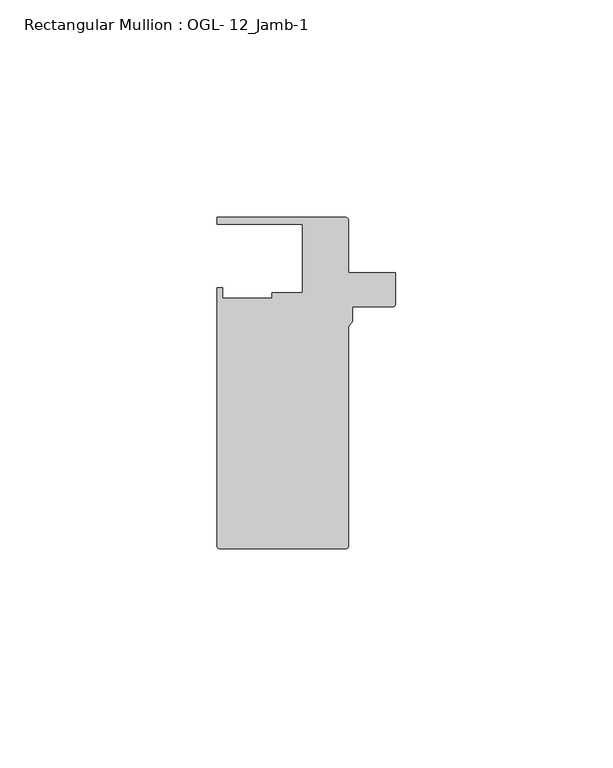
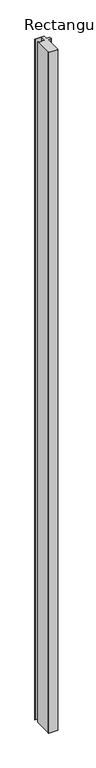
"""IFC4 building model written with IfcOpenShell, lengths in millimetres: member geometry, Rectangular Mullion : OGL- 12_Jamb-1."""

import ifcopenshell
import ifcopenshell.guid

model = None  # the IFC model being written
_history = None  # IfcOwnerHistory: only IFC2X3 demands one
_inside = {}  # id of a spatial element -> (the spatial element, [elements in it])
_under = {}  # id of a project, library or spatial element -> (it, [spatial elements below it])
_declared = {}  # id of a project -> (the project, [libraries it declares])
_typed = {}  # id of a type object -> (the type object, [elements of that type])
_made_of = {}  # id of a material, layer set ... -> (it, [elements and type objects made of it])


def new_model(schema):
    """Start an empty IFC model of exactly this schema.

    Asked for "IFC4X3", IfcOpenShell would pick the latest addendum, in which some entities
    have other attributes; the version numbers below select the first issue.
    IFC2X3 requires an IfcOwnerHistory on every rooted entity: one is made here for all.
    """
    global model, _history
    if schema == "IFC4X3":
        model = ifcopenshell.file(schema_version=(4, 3, 0, 0))
    else:
        model = ifcopenshell.file(schema=schema)
    _inside.clear()
    _under.clear()
    _declared.clear()
    _typed.clear()
    _made_of.clear()
    _history = None
    if model.schema == "IFC2X3":
        org = make("IfcOrganization", Name="unknown")
        user = make(
            "IfcPersonAndOrganization",
            ThePerson=make("IfcPerson", FamilyName="unknown"),
            TheOrganization=org,
        )
        app = make(
            "IfcApplication",
            ApplicationDeveloper=org,
            Version="unknown",
            ApplicationFullName="unknown",
            ApplicationIdentifier="unknown",
        )
        _history = make(
            "IfcOwnerHistory",
            OwningUser=user,
            OwningApplication=app,
            ChangeAction="ADDED",
            CreationDate=0,
        )
    return model


def make(cls, **values):
    """One entity of the class cls with the attributes given. An attribute that is None is left unset."""
    return model.create_entity(
        cls, **{name: value for name, value in values.items() if value is not None}
    )


def rooted(cls, **values):
    """An entity with a GlobalId (a new one), such as an element, a storey or a relation."""
    return make(cls, GlobalId=ifcopenshell.guid.new(), OwnerHistory=_history, **values)


def si_unit(unit_type, name, prefix=None):
    """IfcSIUnit, for example si_unit("LENGTHUNIT", "METRE", prefix="MILLI")."""
    return make("IfcSIUnit", UnitType=unit_type, Prefix=prefix, Name=name)


def assignment(units):
    """IfcUnitAssignment: the units of a project."""
    return None if units is None else make("IfcUnitAssignment", Units=units)


def point(xyz):
    """IfcCartesianPoint."""
    return None if xyz is None else make("IfcCartesianPoint", Coordinates=xyz)


def direction(xyz):
    """IfcDirection."""
    return None if xyz is None else make("IfcDirection", DirectionRatios=xyz)


def frame(location, z_axis=None, x_axis=None):
    """IfcAxis2Placement3D, a coordinate frame: its origin and axes. An axis left out is left unset."""
    return make(
        "IfcAxis2Placement3D",
        Location=point(location),
        Axis=direction(z_axis),
        RefDirection=direction(x_axis),
    )


def frame_2d(location, x_axis=None):
    """IfcAxis2Placement2D, a coordinate frame in the plane: its origin and x axis."""
    return make(
        "IfcAxis2Placement2D", Location=point(location), RefDirection=direction(x_axis)
    )


def origin():
    """The frame at (0, 0, 0) with its axes left unset."""
    return frame((0.0, 0.0, 0.0))


def place(relative_to, where):
    """IfcLocalPlacement: puts the frame where relative to a parent placement (None: the world)."""
    return make(
        "IfcLocalPlacement", PlacementRelTo=relative_to, RelativePlacement=where
    )


def context(
    kind, dimensions, precision=None, world=None, true_north=None, identifier=None
):
    """IfcGeometricRepresentationContext, for example the 3D "Model" context."""
    return make(
        "IfcGeometricRepresentationContext",
        ContextIdentifier=identifier,
        ContextType=kind,
        CoordinateSpaceDimension=dimensions,
        Precision=precision,
        WorldCoordinateSystem=world,
        TrueNorth=true_north,
    )


def project(units=None, contexts=None):
    """IfcProject with its units and contexts."""
    return rooted(
        "IfcProject",
        Name="project",
        RepresentationContexts=contexts,
        UnitsInContext=assignment(units),
    )


def spatial(cls, under=None, at=None, **own):
    """A site, building, storey or space (cls), placed at a placement, below another one or the project."""
    s = rooted(cls, ObjectPlacement=at, **own)
    if under is not None:
        _under.setdefault(under.id(), (under, []))[1].append(s)
    return s


def polyline(points):
    """IfcPolyline through the points."""
    return make("IfcPolyline", Points=[point(p) for p in points])


def circle_curve(where, radius):
    """IfcCircle in the frame where."""
    return make("IfcCircle", Position=where, Radius=radius)


def trimmed(basis, trim1, trim2, sense, master):
    """IfcTrimmedCurve: the piece of a basis curve between two trims."""
    return make(
        "IfcTrimmedCurve",
        BasisCurve=basis,
        Trim1=trim1,
        Trim2=trim2,
        SenseAgreement=sense,
        MasterRepresentation=master,
    )


def segment(curve, same_sense, transition):
    """IfcCompositeCurveSegment."""
    return make(
        "IfcCompositeCurveSegment",
        Transition=transition,
        SameSense=same_sense,
        ParentCurve=curve,
    )


def composite_curve(segments, self_intersect=None):
    """IfcCompositeCurve: segments joined end to end."""
    return make("IfcCompositeCurve", Segments=segments, SelfIntersect=self_intersect)


def outline(outer, holes=None, kind="AREA"):
    """IfcArbitraryClosedProfileDef: a profile drawn as a closed curve; with holes, ...WithVoids."""
    if holes is None:
        return make("IfcArbitraryClosedProfileDef", ProfileType=kind, OuterCurve=outer)
    return make(
        "IfcArbitraryProfileDefWithVoids",
        ProfileType=kind,
        OuterCurve=outer,
        InnerCurves=holes,
    )


def extrude(swept, where, along, depth):
    """IfcExtrudedAreaSolid: the profile swept, set in the frame where, extruded along a direction by depth."""
    return make(
        "IfcExtrudedAreaSolid",
        SweptArea=swept,
        Position=where,
        ExtrudedDirection=direction(along),
        Depth=depth,
    )


def shape(context_of_items, identifier, shape_type, items):
    """IfcShapeRepresentation: the items that make up one representation, for example the "Body"."""
    return make(
        "IfcShapeRepresentation",
        ContextOfItems=context_of_items,
        RepresentationIdentifier=identifier,
        RepresentationType=shape_type,
        Items=items,
    )


def source(mapping_origin, context_of_items, identifier, shape_type, items):
    """IfcRepresentationMap: a shape defined once, which mapped items show again and again."""
    return make(
        "IfcRepresentationMap",
        MappingOrigin=mapping_origin,
        MappedRepresentation=shape(context_of_items, identifier, shape_type, items),
    )


def transform(
    local_origin,
    x_axis=None,
    y_axis=None,
    z_axis=None,
    scale=None,
    scale2=None,
    scale3=None,
    uniform=True,
):
    """IfcCartesianTransformationOperator3D, or its non-uniform kind. x_axis, y_axis, z_axis: its Axis1, 2, 3."""
    if uniform:
        return make(
            "IfcCartesianTransformationOperator3D",
            Axis1=direction(x_axis),
            Axis2=direction(y_axis),
            LocalOrigin=point(local_origin),
            Scale=scale,
            Axis3=direction(z_axis),
        )
    return make(
        "IfcCartesianTransformationOperator3DnonUniform",
        Axis1=direction(x_axis),
        Axis2=direction(y_axis),
        LocalOrigin=point(local_origin),
        Scale=scale,
        Axis3=direction(z_axis),
        Scale2=scale2,
        Scale3=scale3,
    )


def mapped(mapping_source, mapping_target):
    """IfcMappedItem: shows the shape of a source again, moved by a transform."""
    return make(
        "IfcMappedItem", MappingSource=mapping_source, MappingTarget=mapping_target
    )


def made_of(thing, what):
    """Note that an element or type object is made of a material, layer set ...; save() writes the relation."""
    if what is not None:
        _made_of.setdefault(what.id(), (what, []))[1].append(thing)
    return thing


def element(
    cls,
    number,
    at=None,
    inside=None,
    cuts=None,
    type_object=None,
    material=None,
    context=None,
    identifier="Body",
    shape_type=None,
    held_by="IfcProductDefinitionShape",
    body=None,
    shapes=None,
    **own,
):
    """One element of the class cls, such as IfcWall. Its Tag is "e" and its number.

    at: its placement. inside: the storey or other place that contains it. cuts: it is an
    opening in that element (IfcRelVoidsElement). A single representation is given by context,
    identifier, shape_type and body (its items); several are given by shapes. held_by: the class
    of the entity that holds the representations. save() writes the other relations.
    """
    e = rooted(cls, Tag="e%d" % number, ObjectPlacement=at, **own)
    if body is not None:
        shapes = [shape(context, identifier, shape_type, body)]
    if shapes is not None:
        e.Representation = make(held_by, Representations=shapes)
    if inside is not None:
        _inside.setdefault(inside.id(), (inside, []))[1].append(e)
    if cuts is not None:
        rooted(
            "IfcRelVoidsElement", RelatingBuildingElement=cuts, RelatedOpeningElement=e
        )
    if type_object is not None:
        _typed.setdefault(type_object.id(), (type_object, []))[1].append(e)
    return made_of(e, material)


def aggregate(whole, parts):
    """IfcRelAggregates: a whole, such as a stair, and the parts it consists of."""
    return rooted("IfcRelAggregates", RelatingObject=whole, RelatedObjects=parts)


def save(model, path):
    """Write the relations noted so far, then the file.

    IfcRelAggregates (storeys below a building ...), IfcRelContainedInSpatialStructure (elements
    in a storey), IfcRelDefinesByType, IfcRelAssociatesMaterial and IfcRelDeclares: one each for
    every whole, place, type object, material and project.
    """
    for whole, parts in _under.values():
        aggregate(whole, parts)
    for where, things in _inside.values():
        rooted(
            "IfcRelContainedInSpatialStructure",
            RelatedElements=things,
            RelatingStructure=where,
        )
    for kind, things in _typed.values():
        rooted("IfcRelDefinesByType", RelatedObjects=things, RelatingType=kind)
    for what, things in _made_of.values():
        rooted("IfcRelAssociatesMaterial", RelatedObjects=things, RelatingMaterial=what)
    for by, libraries in _declared.values():
        rooted("IfcRelDeclares", RelatingContext=by, RelatedDefinitions=libraries)
    model.write(path)


def rectangular_mullion_ogl_12_jamb_1_4bb99080(model_context):
    return source(origin(), model_context, "Body", "SweptSolid", [
        extrude(outline(composite_curve([segment(polyline([(-1.718668, 25.4), (9.1117669, 25.4), (9.1117669, 18.1560373)]), True, "CONTINUOUS"), segment(trimmed(circle_curve(frame_2d((8.5512549, 18.1560373)), 0.560512), [point((9.1117669, 18.1560373))], [point((8.5512549, 17.5955253))], False, "CARTESIAN"), True, "CONTINUOUS"), segment(polyline([(8.5512549, 17.5955253), (-0.79375, 17.5955253), (-0.79375, 14.2467814), (-1.7185838, 12.9738568), (-1.7185838, -37.5043667)]), True, "CONTINUOUS"), segment(trimmed(circle_curve(frame_2d((-2.3138963, -37.5043667)), 0.5953125), [point((-1.7185838, -37.5043667))], [point((-2.3138963, -38.0996792))], False, "CARTESIAN"), True, "CONTINUOUS"), segment(polyline([(-2.3138963, -38.0996792), (-31.2822481, -38.0996792)]), True, "CONTINUOUS"), segment(trimmed(circle_curve(frame_2d((-31.2822481, -37.5043667)), 0.5953125), [point((-31.2822481, -38.0996792))], [point((-31.8775606, -37.5043667))], False, "CARTESIAN"), True, "CONTINUOUS"), segment(polyline([(-31.8775606, -37.5043667), (-31.8775606, 21.9710976), (-30.6216313, 21.9710976), (-30.6216313, 19.4824275), (-19.2421553, 19.4824275), (-19.2421553, 20.8257348), (-12.2156802, 20.8257348), (-12.2156802, 36.512516), (-31.8684663, 36.512516), (-31.8684663, 38.100016), (-2.3139805, 38.100016)]), True, "CONTINUOUS"), segment(trimmed(circle_curve(frame_2d((-2.3139805, 37.5047035)), 0.5953125), [point((-2.3139805, 38.100016))], [point((-1.718668, 37.5047035))], False, "CARTESIAN"), True, "CONTINUOUS"), segment(polyline([(-1.718668, 37.5047035), (-1.718668, 25.4)]), True, "CONTINUOUS")], self_intersect=False)), frame((0.0, 0.0, -2339.9738578), z_axis=(0.0, 0.0, 1.0), x_axis=(1.0, 0.0, 0.0)), (0.0, 0.0, 1.0), 2339.9738578),
    ])


if __name__ == "__main__":
    model = new_model("IFC4")
    model_context = context("Model", 3, world=origin())
    ifc_project = project(units=[si_unit("LENGTHUNIT", "METRE", prefix="MILLI")], contexts=[model_context])
    site = spatial("IfcSite", under=ifc_project)
    building = spatial("IfcBuilding", under=site)
    placement = place(None, origin())
    rectangular_mullion_ogl_12_jamb_1_shape = rectangular_mullion_ogl_12_jamb_1_4bb99080(model_context)
    element("IfcMember", 1, ObjectType="Rectangular Mullion : OGL- 12_Jamb-1", at=placement, inside=building, context=model_context, shape_type="MappedRepresentation", body=[
        mapped(rectangular_mullion_ogl_12_jamb_1_shape, transform((0.0, 0.0, 0.0), x_axis=(1.0, 0.0, 0.0), y_axis=(0.0, 1.0, 0.0), z_axis=(0.0, 0.0, 1.0))),
    ])
    save(model, "model.ifc")
